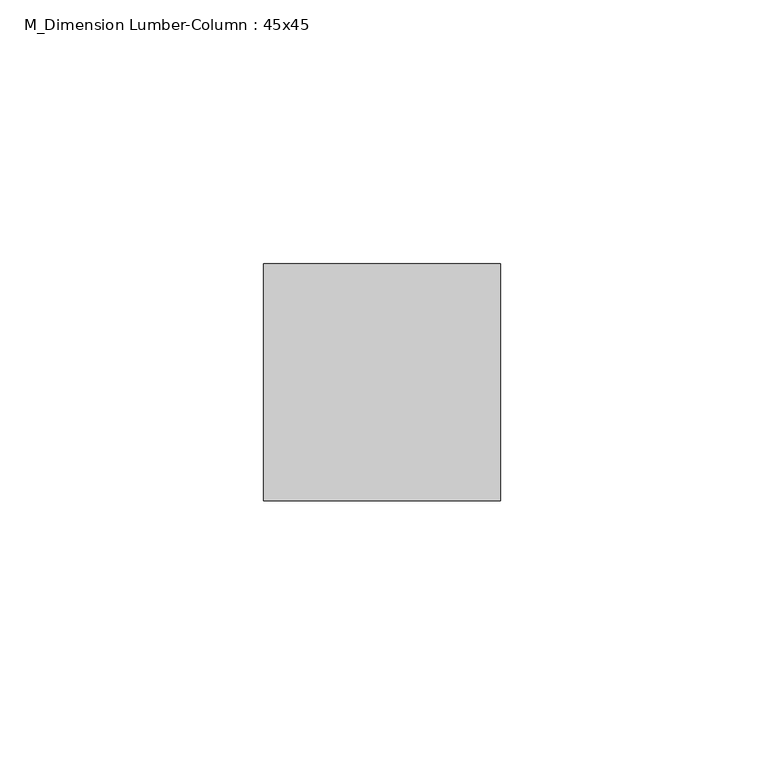
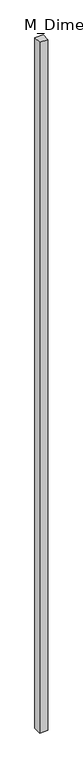
"""IFC4 building model written with IfcOpenShell, lengths in millimetres: column geometry, M_Dimension Lumber-Column : 45x45."""

import ifcopenshell
import ifcopenshell.guid

model = None  # the IFC model being written
_history = None  # IfcOwnerHistory: only IFC2X3 demands one
_inside = {}  # id of a spatial element -> (the spatial element, [elements in it])
_under = {}  # id of a project, library or spatial element -> (it, [spatial elements below it])
_declared = {}  # id of a project -> (the project, [libraries it declares])
_typed = {}  # id of a type object -> (the type object, [elements of that type])
_made_of = {}  # id of a material, layer set ... -> (it, [elements and type objects made of it])


def new_model(schema):
    """Start an empty IFC model of exactly this schema.

    Asked for "IFC4X3", IfcOpenShell would pick the latest addendum, in which some entities
    have other attributes; the version numbers below select the first issue.
    IFC2X3 requires an IfcOwnerHistory on every rooted entity: one is made here for all.
    """
    global model, _history
    if schema == "IFC4X3":
        model = ifcopenshell.file(schema_version=(4, 3, 0, 0))
    else:
        model = ifcopenshell.file(schema=schema)
    _inside.clear()
    _under.clear()
    _declared.clear()
    _typed.clear()
    _made_of.clear()
    _history = None
    if model.schema == "IFC2X3":
        org = make("IfcOrganization", Name="unknown")
        user = make(
            "IfcPersonAndOrganization",
            ThePerson=make("IfcPerson", FamilyName="unknown"),
            TheOrganization=org,
        )
        app = make(
            "IfcApplication",
            ApplicationDeveloper=org,
            Version="unknown",
            ApplicationFullName="unknown",
            ApplicationIdentifier="unknown",
        )
        _history = make(
            "IfcOwnerHistory",
            OwningUser=user,
            OwningApplication=app,
            ChangeAction="ADDED",
            CreationDate=0,
        )
    return model


def make(cls, **values):
    """One entity of the class cls with the attributes given. An attribute that is None is left unset."""
    return model.create_entity(
        cls, **{name: value for name, value in values.items() if value is not None}
    )


def rooted(cls, **values):
    """An entity with a GlobalId (a new one), such as an element, a storey or a relation."""
    return make(cls, GlobalId=ifcopenshell.guid.new(), OwnerHistory=_history, **values)


def si_unit(unit_type, name, prefix=None):
    """IfcSIUnit, for example si_unit("LENGTHUNIT", "METRE", prefix="MILLI")."""
    return make("IfcSIUnit", UnitType=unit_type, Prefix=prefix, Name=name)


def assignment(units):
    """IfcUnitAssignment: the units of a project."""
    return None if units is None else make("IfcUnitAssignment", Units=units)


def point(xyz):
    """IfcCartesianPoint."""
    return None if xyz is None else make("IfcCartesianPoint", Coordinates=xyz)


def direction(xyz):
    """IfcDirection."""
    return None if xyz is None else make("IfcDirection", DirectionRatios=xyz)


def frame(location, z_axis=None, x_axis=None):
    """IfcAxis2Placement3D, a coordinate frame: its origin and axes. An axis left out is left unset."""
    return make(
        "IfcAxis2Placement3D",
        Location=point(location),
        Axis=direction(z_axis),
        RefDirection=direction(x_axis),
    )


def origin():
    """The frame at (0, 0, 0) with its axes left unset."""
    return frame((0.0, 0.0, 0.0))


def origin_with_axes():
    """The frame at (0, 0, 0) with the z axis (0, 0, 1) and the x axis (1, 0, 0) written out."""
    return frame((0.0, 0.0, 0.0), z_axis=(0.0, 0.0, 1.0), x_axis=(1.0, 0.0, 0.0))


def place(relative_to, where):
    """IfcLocalPlacement: puts the frame where relative to a parent placement (None: the world)."""
    return make(
        "IfcLocalPlacement", PlacementRelTo=relative_to, RelativePlacement=where
    )


def context(
    kind, dimensions, precision=None, world=None, true_north=None, identifier=None
):
    """IfcGeometricRepresentationContext, for example the 3D "Model" context."""
    return make(
        "IfcGeometricRepresentationContext",
        ContextIdentifier=identifier,
        ContextType=kind,
        CoordinateSpaceDimension=dimensions,
        Precision=precision,
        WorldCoordinateSystem=world,
        TrueNorth=true_north,
    )


def project(units=None, contexts=None):
    """IfcProject with its units and contexts."""
    return rooted(
        "IfcProject",
        Name="project",
        RepresentationContexts=contexts,
        UnitsInContext=assignment(units),
    )


def spatial(cls, under=None, at=None, **own):
    """A site, building, storey or space (cls), placed at a placement, below another one or the project."""
    s = rooted(cls, ObjectPlacement=at, **own)
    if under is not None:
        _under.setdefault(under.id(), (under, []))[1].append(s)
    return s


def polyline(points):
    """IfcPolyline through the points."""
    return make("IfcPolyline", Points=[point(p) for p in points])


def outline(outer, holes=None, kind="AREA"):
    """IfcArbitraryClosedProfileDef: a profile drawn as a closed curve; with holes, ...WithVoids."""
    if holes is None:
        return make("IfcArbitraryClosedProfileDef", ProfileType=kind, OuterCurve=outer)
    return make(
        "IfcArbitraryProfileDefWithVoids",
        ProfileType=kind,
        OuterCurve=outer,
        InnerCurves=holes,
    )


def extrude(swept, where, along, depth):
    """IfcExtrudedAreaSolid: the profile swept, set in the frame where, extruded along a direction by depth."""
    return make(
        "IfcExtrudedAreaSolid",
        SweptArea=swept,
        Position=where,
        ExtrudedDirection=direction(along),
        Depth=depth,
    )


def shape(context_of_items, identifier, shape_type, items):
    """IfcShapeRepresentation: the items that make up one representation, for example the "Body"."""
    return make(
        "IfcShapeRepresentation",
        ContextOfItems=context_of_items,
        RepresentationIdentifier=identifier,
        RepresentationType=shape_type,
        Items=items,
    )


def source(mapping_origin, context_of_items, identifier, shape_type, items):
    """IfcRepresentationMap: a shape defined once, which mapped items show again and again."""
    return make(
        "IfcRepresentationMap",
        MappingOrigin=mapping_origin,
        MappedRepresentation=shape(context_of_items, identifier, shape_type, items),
    )


def transform(
    local_origin,
    x_axis=None,
    y_axis=None,
    z_axis=None,
    scale=None,
    scale2=None,
    scale3=None,
    uniform=True,
):
    """IfcCartesianTransformationOperator3D, or its non-uniform kind. x_axis, y_axis, z_axis: its Axis1, 2, 3."""
    if uniform:
        return make(
            "IfcCartesianTransformationOperator3D",
            Axis1=direction(x_axis),
            Axis2=direction(y_axis),
            LocalOrigin=point(local_origin),
            Scale=scale,
            Axis3=direction(z_axis),
        )
    return make(
        "IfcCartesianTransformationOperator3DnonUniform",
        Axis1=direction(x_axis),
        Axis2=direction(y_axis),
        LocalOrigin=point(local_origin),
        Scale=scale,
        Axis3=direction(z_axis),
        Scale2=scale2,
        Scale3=scale3,
    )


def mapped(mapping_source, mapping_target):
    """IfcMappedItem: shows the shape of a source again, moved by a transform."""
    return make(
        "IfcMappedItem", MappingSource=mapping_source, MappingTarget=mapping_target
    )


def made_of(thing, what):
    """Note that an element or type object is made of a material, layer set ...; save() writes the relation."""
    if what is not None:
        _made_of.setdefault(what.id(), (what, []))[1].append(thing)
    return thing


def element(
    cls,
    number,
    at=None,
    inside=None,
    cuts=None,
    type_object=None,
    material=None,
    context=None,
    identifier="Body",
    shape_type=None,
    held_by="IfcProductDefinitionShape",
    body=None,
    shapes=None,
    **own,
):
    """One element of the class cls, such as IfcWall. Its Tag is "e" and its number.

    at: its placement. inside: the storey or other place that contains it. cuts: it is an
    opening in that element (IfcRelVoidsElement). A single representation is given by context,
    identifier, shape_type and body (its items); several are given by shapes. held_by: the class
    of the entity that holds the representations. save() writes the other relations.
    """
    e = rooted(cls, Tag="e%d" % number, ObjectPlacement=at, **own)
    if body is not None:
        shapes = [shape(context, identifier, shape_type, body)]
    if shapes is not None:
        e.Representation = make(held_by, Representations=shapes)
    if inside is not None:
        _inside.setdefault(inside.id(), (inside, []))[1].append(e)
    if cuts is not None:
        rooted(
            "IfcRelVoidsElement", RelatingBuildingElement=cuts, RelatedOpeningElement=e
        )
    if type_object is not None:
        _typed.setdefault(type_object.id(), (type_object, []))[1].append(e)
    return made_of(e, material)


def aggregate(whole, parts):
    """IfcRelAggregates: a whole, such as a stair, and the parts it consists of."""
    return rooted("IfcRelAggregates", RelatingObject=whole, RelatedObjects=parts)


def save(model, path):
    """Write the relations noted so far, then the file.

    IfcRelAggregates (storeys below a building ...), IfcRelContainedInSpatialStructure (elements
    in a storey), IfcRelDefinesByType, IfcRelAssociatesMaterial and IfcRelDeclares: one each for
    every whole, place, type object, material and project.
    """
    for whole, parts in _under.values():
        aggregate(whole, parts)
    for where, things in _inside.values():
        rooted(
            "IfcRelContainedInSpatialStructure",
            RelatedElements=things,
            RelatingStructure=where,
        )
    for kind, things in _typed.values():
        rooted("IfcRelDefinesByType", RelatedObjects=things, RelatingType=kind)
    for what, things in _made_of.values():
        rooted("IfcRelAssociatesMaterial", RelatedObjects=things, RelatingMaterial=what)
    for by, libraries in _declared.values():
        rooted("IfcRelDeclares", RelatingContext=by, RelatedDefinitions=libraries)
    model.write(path)


def m_dimension_lumber_column_45x45_ff5031a0(model_context):
    return source(origin(), model_context, "Body", "SweptSolid", [
        extrude(outline(polyline([(22.5, 22.5), (22.5, -22.5), (-22.5, -22.5), (-22.5, 22.5), (22.5, 22.5)])), origin_with_axes(), (0.0, 0.0, 1.0), 4000.0),
    ])


if __name__ == "__main__":
    model = new_model("IFC4")
    model_context = context("Model", 3, world=origin())
    ifc_project = project(units=[si_unit("LENGTHUNIT", "METRE", prefix="MILLI")], contexts=[model_context])
    site = spatial("IfcSite", under=ifc_project)
    building = spatial("IfcBuilding", under=site)
    placement = place(None, origin())
    m_dimension_lumber_column_45x45_shape = m_dimension_lumber_column_45x45_ff5031a0(model_context)
    element("IfcColumn", 1, ObjectType="M_Dimension Lumber-Column : 45x45", at=placement, inside=building, context=model_context, shape_type="MappedRepresentation", body=[
        mapped(m_dimension_lumber_column_45x45_shape, transform((0.0, 0.0, 0.0), x_axis=(1.0, 0.0, 0.0), y_axis=(0.0, 1.0, 0.0), z_axis=(0.0, 0.0, 1.0))),
    ])
    save(model, "model.ifc")
